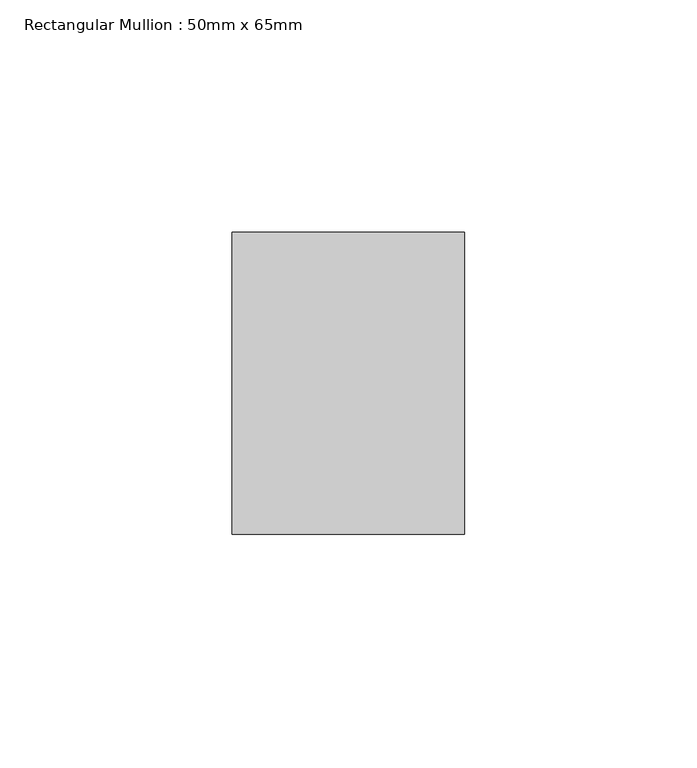
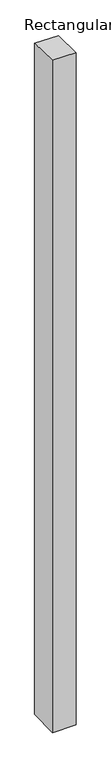
"""IFC4 building model written with IfcOpenShell, lengths in millimetres: member geometry, Rectangular Mullion : 50mm x 65mm."""

from ifc_helpers import new_model, si_unit, origin, place, context, project, spatial, faceted_brep, source, transform, mapped, element, save


def rectangular_mullion_50mm_x_65mm_b3a01d7b(model_context):
    return source(origin(), model_context, "Body", "Brep", [
        faceted_brep([(-25.0, 32.5, -0.7127111), (25.0, 32.5, -0.7127041), (25.0, 32.5, -1499.1022587), (-25.0, 32.5, -1499.10225), (-25.0, -32.5, 0.7127041), (-25.0, -32.5, -1500.8981765), (25.0, -32.5, 0.7127111), (25.0, -32.5, -1500.8981852)], [[[0, 1, 2, 3]], [[4, 0, 3, 5]], [[6, 4, 5, 7]], [[1, 6, 7, 2]], [[1, 0, 4, 6]], [[2, 7, 5, 3]]]),
    ])


if __name__ == "__main__":
    model = new_model("IFC4")
    model_context = context("Model", 3, world=origin())
    ifc_project = project(units=[si_unit("LENGTHUNIT", "METRE", prefix="MILLI")], contexts=[model_context])
    site = spatial("IfcSite", under=ifc_project)
    building = spatial("IfcBuilding", under=site)
    placement = place(None, origin())
    rectangular_mullion_50mm_x_65mm_shape = rectangular_mullion_50mm_x_65mm_b3a01d7b(model_context)
    element("IfcMember", 1, ObjectType="Rectangular Mullion : 50mm x 65mm", at=placement, inside=building, context=model_context, shape_type="MappedRepresentation", body=[
        mapped(rectangular_mullion_50mm_x_65mm_shape, transform((0.0, 0.0, 0.0), x_axis=(1.0, 0.0, 0.0), y_axis=(0.0, 1.0, 0.0), z_axis=(0.0, 0.0, 1.0))),
    ])
    save(model, "model.ifc")
